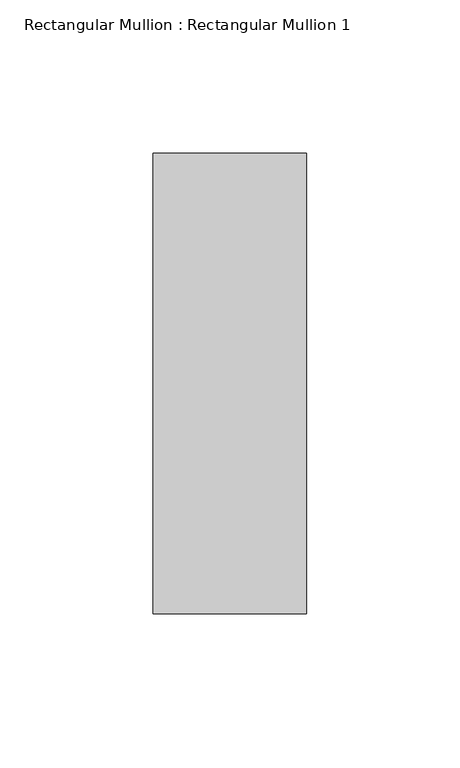
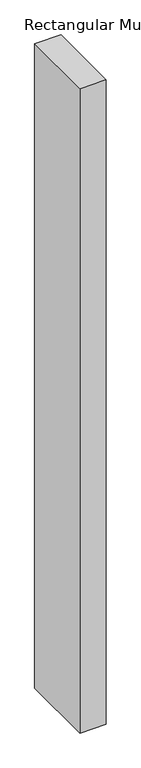
"""IFC4 building model written with IfcOpenShell, lengths in millimetres: member geometry, Rectangular Mullion : Rectangular Mullion 1."""

from ifc_helpers import new_model, si_unit, frame, origin, place, context, project, spatial, polyline, outline, extrude, source, transform, mapped, element, save


def rectangular_mullion_rectangular_mullion_1_1e3c48d4(model_context):
    return source(origin(), model_context, "Body", "SweptSolid", [
        extrude(outline(polyline([(0.0, 75.0), (0.0, -75.0), (-50.0, -75.0), (-50.0, 75.0), (0.0, 75.0)])), frame((0.0, 0.0, -1300.0), z_axis=(0.0, 0.0, 1.0), x_axis=(1.0, 0.0, 0.0)), (0.0, 0.0, 1.0), 1300.0),
    ])


if __name__ == "__main__":
    model = new_model("IFC4")
    model_context = context("Model", 3, world=origin())
    ifc_project = project(units=[si_unit("LENGTHUNIT", "METRE", prefix="MILLI")], contexts=[model_context])
    site = spatial("IfcSite", under=ifc_project)
    building = spatial("IfcBuilding", under=site)
    placement = place(None, origin())
    rectangular_mullion_rectangular_mullion_1_shape = rectangular_mullion_rectangular_mullion_1_1e3c48d4(model_context)
    element("IfcMember", 1, ObjectType="Rectangular Mullion : Rectangular Mullion 1", at=placement, inside=building, context=model_context, shape_type="MappedRepresentation", body=[
        mapped(rectangular_mullion_rectangular_mullion_1_shape, transform((0.0, 0.0, 0.0), x_axis=(1.0, 0.0, 0.0), y_axis=(0.0, 1.0, 0.0), z_axis=(0.0, 0.0, 1.0))),
    ])
    save(model, "model.ifc")
